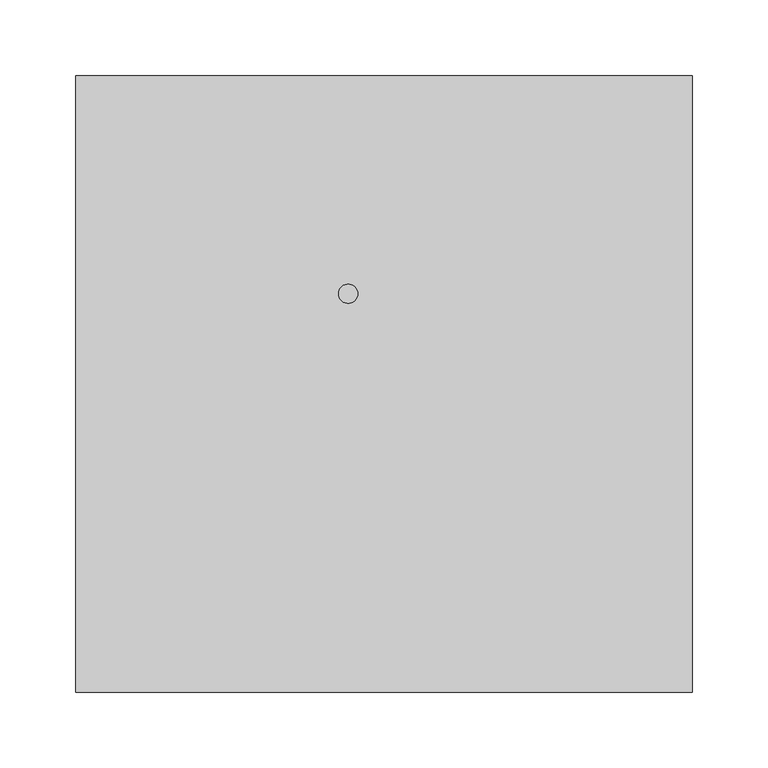
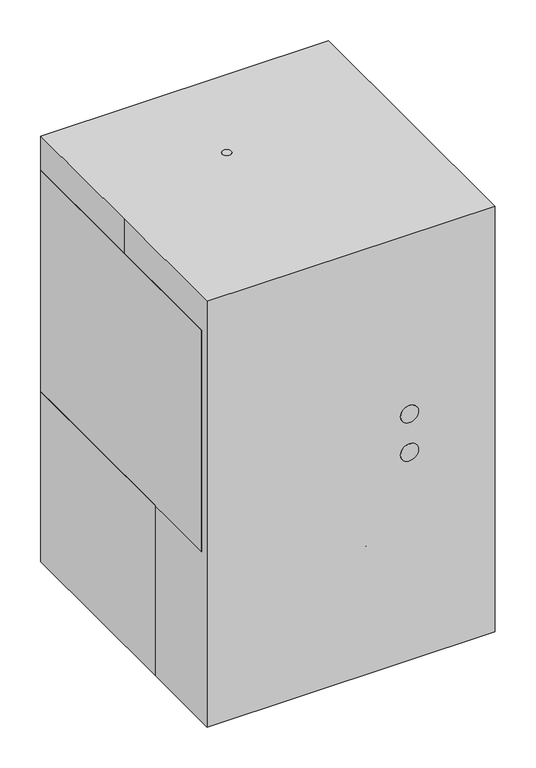
"""IFC4 building model written with IfcOpenShell, lengths in millimetres: proxy geometry."""

from ifc_helpers import new_model, si_unit, point, frame, frame_2d, origin, origin_with_axes, place, context, project, spatial, polyline, circle_curve, ellipse_curve, trimmed, segment, composite_curve, outline, extrude, faceted_brep, source, transform, mapped, element, save
from ifc_brep_helpers import plane_surface, cylinder_surface, revolved_surface, advanced_brep


def specialty_equipment_86da8c64(model_context):
    return source(origin(), model_context, "Body", "SolidModel", [
        extrude(outline(composite_curve([segment(trimmed(circle_curve(frame_2d((0.0, -4.0937193)), 4.0937193), [point((0.0, -8.1874386))], [point((0.0, 0.0))], False, "CARTESIAN"), True, "CONTINUOUS"), segment(trimmed(circle_curve(frame_2d((0.0, -4.0937193)), 4.0937193), [point((0.0, 0.0))], [point((0.0, -8.1874386))], False, "CARTESIAN"), True, "CONTINUOUS")], self_intersect=False)), frame((-117.6763629, -140.0057289, 102.3887784), z_axis=(0.24568362346995662, 0.0, 0.9693500694582285), x_axis=(0.9693500694582285, 0.0, -0.24568362346995662)), (0.0, 0.0, 1.0), 20.0833876),
        extrude(outline(composite_curve([segment(trimmed(circle_curve(frame_2d((0.0, -3.1501878)), 3.1501878), [point((0.0, -6.3003756))], [point((0.0, 0.0))], False, "CARTESIAN"), True, "CONTINUOUS"), segment(trimmed(circle_curve(frame_2d((0.0, -3.1501878)), 3.1501878), [point((0.0, 0.0))], [point((0.0, -6.3003756))], False, "CARTESIAN"), True, "CONTINUOUS")], self_intersect=False)), frame((-171.911736, -140.7121756, 97.9872548), z_axis=(0.8591585636396525, 0.0, 0.5117094512754764), x_axis=(0.5117094512754764, 0.0, -0.8591585636396525)), (0.0, 0.0, 1.0), 6.35),
        extrude(outline(polyline([(0.0, -19.05), (0.0, 0.0), (12.7, 0.0), (12.7, -19.05), (0.0, -19.05)])), frame((-83.2369396, -150.2776431, 73.1964077), z_axis=(-0.5117094512754764, 0.0, 0.8591585636396525), x_axis=(0.0, 1.0, 0.0)), (0.0, 0.0, 1.0), 57.15),
        extrude(outline(polyline([(0.0, -101.5999999), (0.0, 0.0), (12.7, 0.0), (12.7, -101.5999999), (0.0, -101.5999999)])), frame((-161.5820466, -150.2776431, 93.0531245), z_axis=(-0.5117094512754763, 0.0, 0.8591585636396527), x_axis=(0.0, 1.0, 0.0)), (0.0, 0.0, 1.0), 19.05),
        advanced_brep(
        [(-80.5527156, -144.4652979, 74.8954402), (-69.554193, -144.4652979, 81.2454402), (-57.9097189, -144.4652979, 35.6766196), (-47.7471896, -144.4652979, 43.4746025), (-43.8481982, -144.4652979, 21.6150988), (-34.867942, -144.4652979, 30.5953549), (-23.2574298, -144.4652979, 18.9848427), (-28.517942, -144.4652979, 6.2848427), (-6.170274, -144.4652979, 6.2848427), (-7.5050978, -144.4652979, 18.9848427), (26.973746, -144.4652979, 28.1187609), (33.8144084, -144.4652979, 16.9989111), (53.6364482, -144.4652979, 36.8209509), (43.0727306, -144.4652979, 44.2177456), (49.7294224, -144.4652979, 128.1168224), (60.727945, -144.4652979, 134.4668224), (50.7849483, -144.4652979, 151.6885979), (40.6224191, -144.4652979, 143.8906149), (36.3305923, -144.4652979, 166.1429539), (28.1360068, -144.4652979, 156.3770272), (16.1326592, -144.4652979, 254.0), (3.4326592, -144.4652979, 254.0), (3.4326592, -144.4652979, 222.25), (16.1326592, -144.4652979, 222.25), (14.7488288, -144.4652979, 10.7313352), (11.435829, -144.4652979, 23.010861), (60.9302379, -144.4652979, 52.4625335), (48.8560081, -144.4652979, 56.6200242), (66.8940159, -144.4652979, 78.294494), (54.3197437, -144.4652979, 80.2860631), (69.1706357, -144.4652979, 104.3163769), (56.4706357, -144.4652979, 104.8708708), (69.1706357, -144.4652979, 119.8436532), (56.4706357, -144.4652979, 116.4406985), (27.2730478, -144.4652979, 172.4851148), (19.0784623, -144.4652979, 162.7191881), (22.253253, -144.4652979, 177.5049096), (12.0907237, -144.4652979, 169.7069267), (18.7161362, -144.4652979, 183.6313756), (6.809809, -144.4652979, 178.8537393), (16.1326592, -144.4652979, 194.2066873), (3.4326592, -144.4652979, 192.677904), (16.1326592, -144.4652979, 209.6338314), (3.4326592, -144.4652979, 209.6338314)],
        [
            (0, 1, circle_curve(frame((-75.0534543, -144.4652979, 78.0704402), z_axis=(-0.499999999999998, 0.0, 0.8660254037844398), x_axis=(0.8660254037844398, 0.0, 0.499999999999998)), 6.35)),
            (1, 0, circle_curve(frame((-75.0534543, -144.4652979, 78.0704402), z_axis=(-0.499999999999998, 0.0, 0.8660254037844398), x_axis=(0.8660254037844398, 0.0, 0.499999999999998)), 6.35)),
            (0, 2),
            (2, 3, ellipse_curve(frame((-52.8284543, -144.4652979, 39.5756111), z_axis=(-0.6087614290087187, 0.0, 0.7933533402912367), x_axis=(0.793353340291237, 0.0, 0.6087614290087183)), 6.4047939, 6.35)),
            (3, 1),
            (3, 2, ellipse_curve(frame((-52.8284543, -144.4652979, 39.5756111), z_axis=(-0.6087614290087187, 0.0, 0.7933533402912367), x_axis=(0.793353340291237, 0.0, 0.6087614290087183)), 6.4047939, 6.35)),
            (2, 4),
            (4, 5, circle_curve(frame((-39.3580701, -144.4652979, 26.1052269), z_axis=(-0.7071067811865457, 0.0, 0.7071067811865495), x_axis=(0.7071067811865493, 0.0, 0.7071067811865456)), 6.35)),
            (5, 3),
            (5, 4, circle_curve(frame((-39.3580701, -144.4652979, 26.1052269), z_axis=(-0.7071067811865457, 0.0, 0.7071067811865495), x_axis=(0.7071067811865493, 0.0, 0.7071067811865456)), 6.35)),
            (6, 7, ellipse_curve(frame((-25.8876859, -144.4652979, 12.6348427), z_axis=(0.9238795325112856, 0.0, -0.3826834323650925), x_axis=(-0.38268343236509234, 0.0, -0.9238795325112856)), 6.8731905, 6.35)),
            (7, 8),
            (8, 9, ellipse_curve(frame((-6.8376859, -144.4652979, 12.6348427), z_axis=(-0.9945218953682736, 0.0, -0.10452846326765156), x_axis=(-0.1045284632676496, 0.0, 0.9945218953682737)), 6.3849776, 6.35)),
            (9, 6),
            (7, 6, ellipse_curve(frame((-25.8876859, -144.4652979, 12.6348427), z_axis=(0.9238795325112856, 0.0, -0.3826834323650925), x_axis=(-0.38268343236509234, 0.0, -0.9238795325112856)), 6.8731905, 6.35)),
            (9, 8, ellipse_curve(frame((-6.8376859, -144.4652979, 12.6348427), z_axis=(-0.9945218953682736, 0.0, -0.10452846326765156), x_axis=(-0.1045284632676496, 0.0, 0.9945218953682737)), 6.3849776, 6.35)),
            (10, 11, ellipse_curve(frame((30.3940772, -144.4652979, 22.558836), z_axis=(0.8517376950839832, 0.0, 0.5239684139077698), x_axis=(0.523968413907771, 0.0, -0.8517376950839821)), 6.5277431, 6.35)),
            (11, 12),
            (12, 13, ellipse_curve(frame((48.3545894, -144.4652979, 40.5193483), z_axis=(-0.573576436351047, 0.0, -0.819152044288991), x_axis=(-0.8191520442889914, 0.0, 0.5735764363510469)), 6.447959, 6.35)),
            (13, 10),
            (11, 10, ellipse_curve(frame((30.3940772, -144.4652979, 22.558836), z_axis=(0.8517376950839832, 0.0, 0.5239684139077698), x_axis=(0.523968413907771, 0.0, -0.8517376950839821)), 6.5277431, 6.35)),
            (13, 12, ellipse_curve(frame((48.3545894, -144.4652979, 40.5193483), z_axis=(-0.573576436351047, 0.0, -0.819152044288991), x_axis=(-0.8191520442889914, 0.0, 0.5735764363510469)), 6.447959, 6.35)),
            (14, 15, circle_curve(frame((55.2286837, -144.4652979, 131.2918224), z_axis=(-0.49999999999999517, 0.0, 0.8660254037844416), x_axis=(-0.8660254037844416, 0.0, -0.49999999999999517)), 6.35)),
            (15, 16),
            (16, 17, ellipse_curve(frame((45.7036837, -144.4652979, 147.7896064), z_axis=(0.6087614290087175, 0.0, -0.7933533402912375), x_axis=(-0.793353340291237, 0.0, -0.6087614290087182)), 6.4047939, 6.35)),
            (17, 14),
            (15, 14, circle_curve(frame((55.2286837, -144.4652979, 131.2918224), z_axis=(-0.49999999999999517, 0.0, 0.8660254037844416), x_axis=(-0.8660254037844416, 0.0, -0.49999999999999517)), 6.35)),
            (17, 16, ellipse_curve(frame((45.7036837, -144.4652979, 147.7896064), z_axis=(0.6087614290087175, 0.0, -0.7933533402912375), x_axis=(-0.793353340291237, 0.0, -0.6087614290087182)), 6.4047939, 6.35)),
            (16, 18),
            (18, 19, ellipse_curve(frame((32.2332995, -144.4652979, 161.2599905), z_axis=(0.7660444431189765, 0.0, -0.642787609686541), x_axis=(-0.6427876096865405, 0.0, -0.766044443118977)), 6.374256, 6.35)),
            (19, 17),
            (19, 18, ellipse_curve(frame((32.2332995, -144.4652979, 161.2599905), z_axis=(0.7660444431189765, 0.0, -0.642787609686541), x_axis=(-0.6427876096865405, 0.0, -0.766044443118977)), 6.374256, 6.35)),
            (20, 21, circle_curve(frame((9.7826592, -144.4652979, 254.0), z_axis=(0.0, 0.0, 1.0), x_axis=(-1.0, 0.0, 0.0)), 6.35)),
            (21, 20, circle_curve(frame((9.7826592, -144.4652979, 254.0), z_axis=(0.0, 0.0, 1.0), x_axis=(-1.0, 0.0, 0.0)), 6.35)),
            (22, 23, circle_curve(frame((9.7826592, -144.4652979, 222.25), z_axis=(0.0, 0.0, 1.0), x_axis=(-1.0, 0.0, 0.0)), 6.35)),
            (23, 20),
            (21, 22),
            (23, 22, circle_curve(frame((9.7826592, -144.4652979, 222.25), z_axis=(0.0, 0.0, 1.0), x_axis=(-1.0, 0.0, 0.0)), 6.35)),
            (4, 7),
            (6, 5),
            (8, 24),
            (24, 25, ellipse_curve(frame((13.0923289, -144.4652979, 16.8710981), z_axis=(-0.9654779806676533, 0.0, -0.26048468063575386), x_axis=(-0.2604846806357488, 0.0, 0.9654779806676546)), 6.3592987, 6.35)),
            (25, 9),
            (25, 24, ellipse_curve(frame((13.0923289, -144.4652979, 16.8710981), z_axis=(-0.9654779806676533, 0.0, -0.26048468063575386), x_axis=(-0.2604846806357488, 0.0, 0.9654779806676546)), 6.3592987, 6.35)),
            (24, 11),
            (10, 25),
            (12, 26),
            (26, 27, ellipse_curve(frame((54.893123, -144.4652979, 54.5412789), z_axis=(-0.3255681544571579, 0.0, -0.9455185755993165), x_axis=(-0.9455185755993156, 0.0, 0.3255681544571604)), 6.3849776, 6.35)),
            (27, 13),
            (27, 26, ellipse_curve(frame((54.893123, -144.4652979, 54.5412789), z_axis=(-0.3255681544571579, 0.0, -0.9455185755993165), x_axis=(-0.9455185755993156, 0.0, 0.3255681544571604)), 6.3849776, 6.35)),
            (26, 28),
            (28, 29, ellipse_curve(frame((60.6068798, -144.4652979, 79.2902785), z_axis=(-0.15643446504023226, 0.0, -0.9876883405951374), x_axis=(-0.987688340595138, 0.0, 0.15643446504023006)), 6.3655061, 6.35)),
            (29, 27),
            (29, 28, ellipse_curve(frame((60.6068798, -144.4652979, 79.2902785), z_axis=(-0.15643446504023226, 0.0, -0.9876883405951374), x_axis=(-0.987688340595138, 0.0, 0.15643446504023006)), 6.3655061, 6.35)),
            (28, 30),
            (30, 31, ellipse_curve(frame((62.8206357, -144.4652979, 104.5936238), z_axis=(-0.04361938736533767, 0.0, -0.9990482215818578), x_axis=(-0.9990482215818574, 0.0, 0.043619387365343695)), 6.3560496, 6.35)),
            (31, 29),
            (31, 30, ellipse_curve(frame((62.8206357, -144.4652979, 104.5936238), z_axis=(-0.04361938736533767, 0.0, -0.9990482215818578), x_axis=(-0.9990482215818574, 0.0, 0.043619387365343695)), 6.3560496, 6.35)),
            (30, 32),
            (32, 33, ellipse_curve(frame((62.8206357, -144.4652979, 118.1421759), z_axis=(0.25881904510251724, 0.0, -0.9659258262890692), x_axis=(-0.9659258262890693, 0.0, -0.2588190451025174)), 6.5740037, 6.35)),
            (33, 31),
            (33, 32, ellipse_curve(frame((62.8206357, -144.4652979, 118.1421759), z_axis=(0.25881904510251724, 0.0, -0.9659258262890692), x_axis=(-0.9659258262890693, 0.0, -0.2588190451025174)), 6.5740037, 6.35)),
            (32, 15),
            (14, 33),
            (18, 34),
            (34, 35, ellipse_curve(frame((23.175755, -144.4652979, 167.6021515), z_axis=(0.7660444431189767, 0.0, -0.6427876096865409), x_axis=(0.642787609686541, 0.0, 0.7660444431189767)), 6.374256, 6.35)),
            (35, 19),
            (35, 34, ellipse_curve(frame((23.175755, -144.4652979, 167.6021515), z_axis=(0.7660444431189767, 0.0, -0.6427876096865409), x_axis=(0.642787609686541, 0.0, 0.7660444431189767)), 6.374256, 6.35)),
            (34, 36),
            (36, 37, ellipse_curve(frame((17.1719883, -144.4652979, 173.6059182), z_axis=(0.6087614290087173, 0.0, -0.7933533402912377), x_axis=(0.7933533402912378, 0.0, 0.6087614290087171)), 6.4047939, 6.35)),
            (37, 35),
            (37, 36, ellipse_curve(frame((17.1719883, -144.4652979, 173.6059182), z_axis=(0.6087614290087173, 0.0, -0.7933533402912377), x_axis=(0.7933533402912378, 0.0, 0.6087614290087171)), 6.4047939, 6.35)),
            (36, 38),
            (38, 39, ellipse_curve(frame((12.7629726, -144.4652979, 181.2425575), z_axis=(0.3724054793402888, 0.0, -0.9280701260989547), x_axis=(0.928070126098955, 0.0, 0.37240547934028795)), 6.4145623, 6.35)),
            (39, 37),
            (39, 38, ellipse_curve(frame((12.7629726, -144.4652979, 181.2425575), z_axis=(0.3724054793402888, 0.0, -0.9280701260989547), x_axis=(0.928070126098955, 0.0, 0.37240547934028795)), 6.4145623, 6.35)),
            (38, 40),
            (40, 41, ellipse_curve(frame((9.7826592, -144.4652979, 193.4422956), z_axis=(0.11951384652124017, 0.0, -0.9928325339601324), x_axis=(0.9928325339601324, 0.0, 0.11951384652123981)), 6.395842, 6.35)),
            (41, 39),
            (41, 40, ellipse_curve(frame((9.7826592, -144.4652979, 193.4422956), z_axis=(0.11951384652124017, 0.0, -0.9928325339601324), x_axis=(0.9928325339601324, 0.0, 0.11951384652123981)), 6.395842, 6.35)),
            (40, 42),
            (42, 43, circle_curve(frame((9.7826592, -144.4652979, 209.6338314), z_axis=(0.0, 0.0, -1.0), x_axis=(-1.0, 0.0, 0.0)), 6.35)),
            (43, 41),
            (43, 42, circle_curve(frame((9.7826592, -144.4652979, 209.6338314), z_axis=(0.0, 0.0, -1.0), x_axis=(-1.0, 0.0, 0.0)), 6.35)),
            (42, 23),
            (22, 43),
        ],
        [
            plane_surface(frame((-75.0534543, -144.4652979, 78.0704402), z_axis=(-0.49999999999999806, 0.0, 0.8660254037844398), x_axis=(0.0, -1.0, 0.0))),
            cylinder_surface(frame((-75.0534543, -144.4652979, 78.0704402), z_axis=(-0.499999999999998, 0.0, 0.8660254037844398), x_axis=(0.8660254037844398, 0.0, 0.499999999999998)), 6.35),
            cylinder_surface(frame((-52.8284543, -144.4652979, 39.5756111), z_axis=(-0.7071067811865456, 0.0, 0.7071067811865493), x_axis=(0.7071067811865493, 0.0, 0.7071067811865456)), 6.35),
            cylinder_surface(frame((-25.8876859, -144.4652979, 12.6348427), z_axis=(-1.0, 0.0, 0.0), x_axis=(0.0, 0.0, 1.0)), 6.35),
            cylinder_surface(frame((30.3940772, -144.4652979, 22.558836), z_axis=(-0.7071067811865483, 0.0, -0.7071067811865468), x_axis=(-0.7071067811865468, 0.0, 0.7071067811865483)), 6.35),
            cylinder_surface(frame((55.2286837, -144.4652979, 131.2918224), z_axis=(0.49999999999999517, 0.0, -0.8660254037844416), x_axis=(-0.8660254037844416, 0.0, -0.49999999999999517)), 6.35),
            cylinder_surface(frame((45.7036837, -144.4652979, 147.7896064), z_axis=(0.707106781186546, 0.0, -0.707106781186549), x_axis=(-0.707106781186549, 0.0, -0.707106781186546)), 6.35),
            plane_surface(frame((9.7826592, -144.4652979, 254.0), z_axis=(0.0, 0.0, 1.0), x_axis=(0.0, -1.0, 0.0))),
            cylinder_surface(frame((9.7826592, -144.4652979, 222.25), z_axis=(0.0, 0.0, -1.0), x_axis=(-1.0, 0.0, 0.0)), 6.35),
            cylinder_surface(frame((-39.3580701, -144.4652979, 26.1052269), z_axis=(-0.7071067811865458, 0.0, 0.7071067811865492), x_axis=(0.7071067811865492, 0.0, 0.7071067811865458)), 6.35),
            cylinder_surface(frame((-6.8376859, -144.4652979, 12.6348427), z_axis=(-0.9781476007338057, 0.0, -0.20791169081775893), x_axis=(-0.20791169081775893, 0.0, 0.9781476007338057)), 6.35),
            cylinder_surface(frame((13.0923289, -144.4652979, 16.8710981), z_axis=(-0.9499848795939814, 0.0, -0.3122958990169561), x_axis=(-0.3122958990169561, 0.0, 0.9499848795939814)), 6.35),
            cylinder_surface(frame((48.3545894, -144.4652979, 40.5193483), z_axis=(-0.4226182617407005, 0.0, -0.9063077870366495), x_axis=(-0.9063077870366495, 0.0, 0.4226182617407005)), 6.35),
            cylinder_surface(frame((54.893123, -144.4652979, 54.5412789), z_axis=(-0.2249510543438664, 0.0, -0.974370064785235), x_axis=(-0.974370064785235, 0.0, 0.2249510543438664)), 6.35),
            cylinder_surface(frame((60.6068798, -144.4652979, 79.2902785), z_axis=(-0.08715574274765962, 0.0, -0.9961946980917454), x_axis=(-0.9961946980917454, 0.0, 0.08715574274765962)), 6.35),
            cylinder_surface(frame((62.8206357, -144.4652979, 104.5936238), z_axis=(0.0, 0.0, -1.0), x_axis=(-1.0, 0.0, 0.0)), 6.35),
            cylinder_surface(frame((62.8206357, -144.4652979, 118.1421759), z_axis=(0.4999999999999954, 0.0, -0.8660254037844414), x_axis=(-0.8660254037844414, 0.0, -0.4999999999999954)), 6.35),
            cylinder_surface(frame((32.2332995, -144.4652979, 161.2599905), z_axis=(0.8191520442889904, 0.0, -0.5735764363510482), x_axis=(-0.5735764363510482, 0.0, -0.8191520442889904)), 6.35),
            cylinder_surface(frame((23.175755, -144.4652979, 167.6021515), z_axis=(0.7071067811865465, 0.0, -0.7071067811865487), x_axis=(-0.7071067811865487, 0.0, -0.7071067811865465)), 6.35),
            cylinder_surface(frame((17.1719883, -144.4652979, 173.6059182), z_axis=(0.4999999999999941, 0.0, -0.8660254037844421), x_axis=(-0.8660254037844421, 0.0, -0.4999999999999941)), 6.35),
            cylinder_surface(frame((12.7629726, -144.4652979, 181.2425575), z_axis=(0.23731447017001195, 0.0, -0.9714328809793945), x_axis=(-0.9714328809793945, 0.0, -0.23731447017001195)), 6.35),
            cylinder_surface(frame((9.7826592, -144.4652979, 193.4422956), z_axis=(0.0, 0.0, -1.0), x_axis=(-1.0, 0.0, 0.0)), 6.35),
            cylinder_surface(frame((9.7826592, -144.4652979, 209.6338314), z_axis=(0.0, 0.0, -1.0), x_axis=(-1.0, 0.0, 0.0)), 6.35),
        ],
        [
            (0, [[1, 2]]),
            (1, [[-1, 3, 4, 5]]),
            (1, [[-2, -5, 6, -3]]),
            (2, [[-4, 7, 8, 9]]),
            (2, [[-6, -9, 10, -7]]),
            (3, [[11, 12, 13, 14]]),
            (3, [[15, -14, 16, -12]]),
            (4, [[17, 18, 19, 20]]),
            (4, [[21, -20, 22, -18]]),
            (5, [[23, 24, 25, 26]]),
            (5, [[27, -26, 28, -24]]),
            (6, [[-25, 29, 30, 31]]),
            (6, [[-28, -31, 32, -29]]),
            (7, [[33, 34]]),
            (8, [[35, 36, -34, 37]]),
            (8, [[38, -37, -33, -36]]),
            (9, [[-8, 39, -11, 40]]),
            (9, [[-10, -40, -15, -39]]),
            (10, [[-13, 41, 42, 43]]),
            (10, [[-16, -43, 44, -41]]),
            (11, [[-42, 45, -17, 46]]),
            (11, [[-44, -46, -21, -45]]),
            (12, [[-19, 47, 48, 49]]),
            (12, [[-22, -49, 50, -47]]),
            (13, [[-48, 51, 52, 53]]),
            (13, [[-50, -53, 54, -51]]),
            (14, [[-52, 55, 56, 57]]),
            (14, [[-54, -57, 58, -55]]),
            (15, [[-56, 59, 60, 61]]),
            (15, [[-58, -61, 62, -59]]),
            (16, [[-60, 63, -23, 64]]),
            (16, [[-62, -64, -27, -63]]),
            (17, [[-30, 65, 66, 67]]),
            (17, [[-32, -67, 68, -65]]),
            (18, [[-66, 69, 70, 71]]),
            (18, [[-68, -71, 72, -69]]),
            (19, [[-70, 73, 74, 75]]),
            (19, [[-72, -75, 76, -73]]),
            (20, [[-74, 77, 78, 79]]),
            (20, [[-76, -79, 80, -77]]),
            (21, [[-78, 81, 82, 83]]),
            (21, [[-80, -83, 84, -81]]),
            (22, [[-82, 85, -35, 86]]),
            (22, [[-84, -86, -38, -85]]),
        ],
    ),
        extrude(outline(composite_curve([segment(trimmed(circle_curve(frame_2d((309.7830622, 82.8658336)), 12.7), [point((309.7830622, 70.1658336))], [point((309.7830622, 95.5658336))], False, "CARTESIAN"), True, "CONTINUOUS"), segment(trimmed(circle_curve(frame_2d((309.7830622, 82.8658336)), 12.7), [point((309.7830622, 95.5658336))], [point((309.7830622, 70.1658336))], False, "CARTESIAN"), True, "CONTINUOUS")], self_intersect=False)), frame((0.0, -203.2, 0.0), z_axis=(0.0, 1.0, 0.0), x_axis=(0.0, 0.0, 1.0)), (0.0, 0.0, 1.0), 19.05),
        extrude(outline(composite_curve([segment(trimmed(circle_curve(frame_2d((366.9330622, 82.8658336)), 12.7), [point((366.9330622, 70.1658336))], [point((366.9330622, 95.5658336))], False, "CARTESIAN"), True, "CONTINUOUS"), segment(trimmed(circle_curve(frame_2d((366.9330622, 82.8658336)), 12.7), [point((366.9330622, 95.5658336))], [point((366.9330622, 70.1658336))], False, "CARTESIAN"), True, "CONTINUOUS")], self_intersect=False)), frame((0.0, -203.2, 0.0), z_axis=(0.0, 1.0, 0.0), x_axis=(0.0, 0.0, 1.0)), (0.0, 0.0, 1.0), 19.05),
        extrude(outline(composite_curve([segment(trimmed(circle_curve(frame_2d((-23.5780255, 59.5031779)), 6.35), [point((-29.9280255, 59.5031779))], [point((-17.2280255, 59.5031779))], False, "CARTESIAN"), True, "CONTINUOUS"), segment(trimmed(circle_curve(frame_2d((-23.5780255, 59.5031779)), 6.35), [point((-17.2280255, 59.5031779))], [point((-29.9280255, 59.5031779))], False, "CARTESIAN"), True, "CONTINUOUS")], self_intersect=False)), frame((0.0, 0.0, 622.3), z_axis=(0.0, 0.0, 1.0), x_axis=(1.0, 0.0, 0.0)), (0.0, 0.0, 1.0), 12.7),
        extrude(outline(composite_curve([segment(trimmed(circle_curve(frame_2d((-23.5780255, 59.5031779)), 38.1), [point((-61.6780255, 59.5031779))], [point((14.5219745, 59.5031779))], False, "CARTESIAN"), True, "CONTINUOUS"), segment(trimmed(circle_curve(frame_2d((-23.5780255, 59.5031779)), 38.1), [point((14.5219745, 59.5031779))], [point((-61.6780255, 59.5031779))], False, "CARTESIAN"), True, "CONTINUOUS")], self_intersect=False)), frame((0.0, 0.0, 584.2), z_axis=(0.0, 0.0, 1.0), x_axis=(1.0, 0.0, 0.0)), (0.0, 0.0, 1.0), 38.1),
        extrude(outline(polyline([(0.0, -38.1), (0.0, 0.0), (12.7, 0.0), (12.7, -38.1), (0.0, -38.1)])), frame((190.5, 79.4946346, 436.6787319), z_axis=(0.0, 0.25881904510252524, 0.9659258262890671), x_axis=(0.0, -0.9659258262890671, 0.25881904510252524)), (0.0, 0.0, 1.0), 12.7),
        extrude(outline(polyline([(0.0, -38.1), (0.0, 0.0), (12.7, 0.0), (12.7, -38.1), (0.0, -38.1)])), frame((190.5, 56.4856215, 350.807926), z_axis=(0.0, 0.2588190451025251, 0.9659258262890672), x_axis=(0.0, -0.9659258262890672, 0.2588190451025251)), (0.0, 0.0, 1.0), 12.7),
        extrude(outline(polyline([(0.0, -12.7), (0.0, 0.0), (12.7, 0.0), (12.7, -12.7), (0.0, -12.7)])), frame((203.2, 56.4856215, 350.807926), z_axis=(0.0, 0.2588190451025251, 0.9659258262890672), x_axis=(0.0, -0.9659258262890672, 0.2588190451025251)), (0.0, 0.0, 1.0), 101.6),
        faceted_brep([(139.7, 38.3077485, 225.5799567), (139.7, -44.2422515, 225.5799567), (139.7, -44.2422515, 212.8799567), (139.7, 38.3077485, 212.8799567), (152.4, 38.3077485, 225.5799567), (152.4, -44.2422515, 225.5799567), (152.4, -44.2422515, 212.8799567), (152.4, 38.3077485, 212.8799567), (139.7, 88.6922515, 225.5799567), (139.7, 88.6922515, 212.8799567), (139.7, 171.2422515, 212.8799567), (139.7, 171.2422515, 225.5799567), (152.4, 171.2422515, 225.5799567), (152.4, 88.6922515, 225.5799567), (152.4, 171.2422515, 212.8799567), (152.4, 88.6922515, 212.8799567), (152.4, 203.2, 254.0), (-203.2, 203.2, 254.0), (-203.2, -76.2, 254.0), (152.4, -76.2, 254.0), (152.4, 203.2, 0.0), (152.4, -76.2, 0.0), (-203.2, -76.2, 0.0), (-203.2, 203.2, 0.0)], [[[0, 1, 2, 3]], [[1, 0, 4, 5]], [[2, 1, 5, 6]], [[3, 2, 6, 7]], [[0, 3, 7, 4]], [[8, 9, 10, 11]], [[8, 11, 12, 13]], [[11, 10, 14, 12]], [[10, 9, 15, 14]], [[9, 8, 13, 15]], [[16, 17, 18, 19]], [[20, 21, 22, 23]], [[17, 16, 20, 23]], [[18, 17, 23, 22]], [[19, 18, 22, 21]], [[16, 19, 21, 20], [13, 12, 14, 15], [5, 4, 7, 6]]]),
        advanced_brep(
        [(139.7, 38.3077485, 530.3799567), (139.7, -44.2422515, 530.3799567), (139.7, -44.2422515, 517.6799567), (139.7, 38.3077485, 517.6799567), (152.4, 38.3077485, 530.3799567), (152.4, -44.2422515, 530.3799567), (152.4, -44.2422515, 517.6799567), (152.4, 38.3077485, 517.6799567), (139.7, 38.3077485, 479.5799567), (139.7, -44.2422515, 479.5799567), (139.7, -44.2422515, 466.8799567), (139.7, 38.3077485, 466.8799567), (152.4, 38.3077485, 479.5799567), (152.4, -44.2422515, 479.5799567), (152.4, -44.2422515, 466.8799567), (152.4, 38.3077485, 466.8799567), (139.7, 38.3077485, 428.7799567), (139.7, -44.2422515, 428.7799567), (139.7, -44.2422515, 416.0799567), (139.7, 38.3077485, 416.0799567), (152.4, 38.3077485, 428.7799567), (152.4, -44.2422515, 428.7799567), (152.4, -44.2422515, 416.0799567), (152.4, 38.3077485, 416.0799567), (139.7, 38.3077485, 377.9799567), (139.7, -44.2422515, 377.9799567), (139.7, -44.2422515, 365.2799567), (139.7, 38.3077485, 365.2799567), (152.4, 38.3077485, 377.9799567), (152.4, -44.2422515, 377.9799567), (152.4, -44.2422515, 365.2799567), (152.4, 38.3077485, 365.2799567), (139.7, 38.3077485, 327.1799567), (139.7, -44.2422515, 327.1799567), (139.7, -44.2422515, 314.4799567), (139.7, 38.3077485, 314.4799567), (152.4, 38.3077485, 327.1799567), (152.4, -44.2422515, 327.1799567), (152.4, -44.2422515, 314.4799567), (152.4, 38.3077485, 314.4799567), (139.7, 38.3077485, 276.3799567), (139.7, -44.2422515, 276.3799567), (139.7, -44.2422515, 263.6799567), (139.7, 38.3077485, 263.6799567), (152.4, 38.3077485, 276.3799567), (152.4, -44.2422515, 276.3799567), (152.4, -44.2422515, 263.6799567), (152.4, 38.3077485, 263.6799567), (139.7, 88.6922515, 530.3799567), (139.7, 88.6922515, 517.6799567), (139.7, 171.2422515, 517.6799567), (139.7, 171.2422515, 530.3799567), (152.4, 171.2422515, 530.3799567), (152.4, 88.6922515, 530.3799567), (152.4, 171.2422515, 517.6799567), (152.4, 88.6922515, 517.6799567), (139.7, 88.6922515, 479.5799567), (139.7, 88.6922515, 466.8799567), (139.7, 171.2422515, 466.8799567), (139.7, 171.2422515, 479.5799567), (152.4, 171.2422515, 479.5799567), (152.4, 88.6922515, 479.5799567), (152.4, 171.2422515, 466.8799567), (152.4, 88.6922515, 466.8799567), (139.7, 88.6922515, 428.7799567), (139.7, 88.6922515, 416.0799567), (139.7, 171.2422515, 416.0799567), (139.7, 171.2422515, 428.7799567), (152.4, 171.2422515, 428.7799567), (152.4, 88.6922515, 428.7799567), (152.4, 171.2422515, 416.0799567), (152.4, 88.6922515, 416.0799567), (139.7, 88.6922515, 377.9799567), (139.7, 88.6922515, 365.2799567), (139.7, 171.2422515, 365.2799567), (139.7, 171.2422515, 377.9799567), (152.4, 171.2422515, 377.9799567), (152.4, 88.6922515, 377.9799567), (152.4, 171.2422515, 365.2799567), (152.4, 88.6922515, 365.2799567), (139.7, 88.6922515, 327.1799567), (139.7, 88.6922515, 314.4799567), (139.7, 171.2422515, 314.4799567), (139.7, 171.2422515, 327.1799567), (152.4, 171.2422515, 327.1799567), (152.4, 88.6922515, 327.1799567), (152.4, 171.2422515, 314.4799567), (152.4, 88.6922515, 314.4799567), (139.7, 88.6922515, 276.3799567), (139.7, 88.6922515, 263.6799567), (139.7, 171.2422515, 263.6799567), (139.7, 171.2422515, 276.3799567), (152.4, 171.2422515, 276.3799567), (152.4, 88.6922515, 276.3799567), (152.4, 171.2422515, 263.6799567), (152.4, 88.6922515, 263.6799567), (6.1623852, -177.8, 451.8873151), (82.3623852, -177.8, 451.8873151), (6.1623852, -184.15, 451.8873151), (82.3623852, -184.15, 451.8873151), (-6.35, -177.8, 386.1392192), (6.35, -177.8, 386.1392192), (-6.35, -184.15, 386.1392192), (6.35, -184.15, 386.1392192), (-6.35, -177.8, 348.0392192), (6.35, -177.8, 348.0392192), (-6.35, -184.15, 348.0392192), (6.35, -184.15, 348.0392192), (-6.35, -177.8, 309.9392192), (6.35, -177.8, 309.9392192), (-6.35, -184.15, 309.9392192), (6.35, -184.15, 309.9392192), (114.0510467, -184.15, 525.8640111), (-25.6489533, -184.15, 525.8640111), (-25.6489533, -184.15, 271.8640111), (114.0510467, -184.15, 271.8640111), (114.0510467, -190.5, 525.8640111), (-25.6489533, -190.5, 525.8640111), (-25.6489533, -190.5, 271.8640111), (114.0510467, -190.5, 271.8640111), (152.4, 203.2, 584.2), (-203.2, 203.2, 584.2), (-203.2, -190.5, 584.2), (152.4, -190.5, 584.2), (152.4, 203.2, 254.0), (152.4, -190.5, 254.0), (-203.2, -190.5, 254.0), (-203.2, 203.2, 254.0)],
        [
            (0, 1),
            (1, 2),
            (2, 3),
            (3, 0),
            (0, 4),
            (4, 5),
            (5, 1),
            (5, 6),
            (6, 2),
            (6, 7),
            (7, 3),
            (7, 4),
            (8, 9),
            (9, 10),
            (10, 11),
            (11, 8),
            (8, 12),
            (12, 13),
            (13, 9),
            (13, 14),
            (14, 10),
            (14, 15),
            (15, 11),
            (15, 12),
            (16, 17),
            (17, 18),
            (18, 19),
            (19, 16),
            (16, 20),
            (20, 21),
            (21, 17),
            (21, 22),
            (22, 18),
            (22, 23),
            (23, 19),
            (23, 20),
            (24, 25),
            (25, 26),
            (26, 27),
            (27, 24),
            (24, 28),
            (28, 29),
            (29, 25),
            (29, 30),
            (30, 26),
            (30, 31),
            (31, 27),
            (31, 28),
            (32, 33),
            (33, 34),
            (34, 35),
            (35, 32),
            (32, 36),
            (36, 37),
            (37, 33),
            (37, 38),
            (38, 34),
            (38, 39),
            (39, 35),
            (39, 36),
            (40, 41),
            (41, 42),
            (42, 43),
            (43, 40),
            (40, 44),
            (44, 45),
            (45, 41),
            (45, 46),
            (46, 42),
            (46, 47),
            (47, 43),
            (47, 44),
            (48, 49),
            (49, 50),
            (50, 51),
            (51, 48),
            (51, 52),
            (52, 53),
            (53, 48),
            (50, 54),
            (54, 52),
            (49, 55),
            (55, 54),
            (53, 55),
            (56, 57),
            (57, 58),
            (58, 59),
            (59, 56),
            (59, 60),
            (60, 61),
            (61, 56),
            (58, 62),
            (62, 60),
            (57, 63),
            (63, 62),
            (61, 63),
            (64, 65),
            (65, 66),
            (66, 67),
            (67, 64),
            (67, 68),
            (68, 69),
            (69, 64),
            (66, 70),
            (70, 68),
            (65, 71),
            (71, 70),
            (69, 71),
            (72, 73),
            (73, 74),
            (74, 75),
            (75, 72),
            (75, 76),
            (76, 77),
            (77, 72),
            (74, 78),
            (78, 76),
            (73, 79),
            (79, 78),
            (77, 79),
            (80, 81),
            (81, 82),
            (82, 83),
            (83, 80),
            (83, 84),
            (84, 85),
            (85, 80),
            (82, 86),
            (86, 84),
            (81, 87),
            (87, 86),
            (85, 87),
            (88, 89),
            (89, 90),
            (90, 91),
            (91, 88),
            (91, 92),
            (92, 93),
            (93, 88),
            (90, 94),
            (94, 92),
            (89, 95),
            (95, 94),
            (93, 95),
            (96, 97, circle_curve(frame((44.2623852, -177.8, 451.8873151), z_axis=(0.0, -1.0, 0.0), x_axis=(1.0, 0.0, 0.0)), 38.1)),
            (97, 96, circle_curve(frame((44.2623852, -177.8, 451.8873151), z_axis=(0.0, -1.0, 0.0), x_axis=(1.0, 0.0, 0.0)), 38.1)),
            (96, 98),
            (98, 99, circle_curve(frame((44.2623852, -184.15, 451.8873151), z_axis=(0.0, -1.0, 0.0), x_axis=(1.0, 0.0, 0.0)), 38.1)),
            (99, 97),
            (99, 98, circle_curve(frame((44.2623852, -184.15, 451.8873151), z_axis=(0.0, -1.0, 0.0), x_axis=(1.0, 0.0, 0.0)), 38.1)),
            (100, 101, circle_curve(frame((0.0, -177.8, 386.1392192), z_axis=(0.0, -1.0, 0.0), x_axis=(1.0, 0.0, 0.0)), 6.35)),
            (101, 100, circle_curve(frame((0.0, -177.8, 386.1392192), z_axis=(0.0, -1.0, 0.0), x_axis=(1.0, 0.0, 0.0)), 6.35)),
            (100, 102),
            (102, 103, circle_curve(frame((0.0, -184.15, 386.1392192), z_axis=(0.0, -1.0, 0.0), x_axis=(1.0, 0.0, 0.0)), 6.35)),
            (103, 101),
            (103, 102, circle_curve(frame((0.0, -184.15, 386.1392192), z_axis=(0.0, -1.0, 0.0), x_axis=(1.0, 0.0, 0.0)), 6.35)),
            (104, 105, circle_curve(frame((0.0, -177.8, 348.0392192), z_axis=(0.0, -1.0, 0.0), x_axis=(1.0, 0.0, 0.0)), 6.35)),
            (105, 104, circle_curve(frame((0.0, -177.8, 348.0392192), z_axis=(0.0, -1.0, 0.0), x_axis=(1.0, 0.0, 0.0)), 6.35)),
            (104, 106),
            (106, 107, circle_curve(frame((0.0, -184.15, 348.0392192), z_axis=(0.0, -1.0, 0.0), x_axis=(1.0, 0.0, 0.0)), 6.35)),
            (107, 105),
            (107, 106, circle_curve(frame((0.0, -184.15, 348.0392192), z_axis=(0.0, -1.0, 0.0), x_axis=(1.0, 0.0, 0.0)), 6.35)),
            (108, 109, circle_curve(frame((0.0, -177.8, 309.9392192), z_axis=(0.0, -1.0, 0.0), x_axis=(1.0, 0.0, 0.0)), 6.35)),
            (109, 108, circle_curve(frame((0.0, -177.8, 309.9392192), z_axis=(0.0, -1.0, 0.0), x_axis=(1.0, 0.0, 0.0)), 6.35)),
            (108, 110),
            (110, 111, circle_curve(frame((0.0, -184.15, 309.9392192), z_axis=(0.0, -1.0, 0.0), x_axis=(1.0, 0.0, 0.0)), 6.35)),
            (111, 109),
            (111, 110, circle_curve(frame((0.0, -184.15, 309.9392192), z_axis=(0.0, -1.0, 0.0), x_axis=(1.0, 0.0, 0.0)), 6.35)),
            (112, 113),
            (113, 114),
            (114, 115),
            (115, 112),
            (112, 116),
            (116, 117),
            (117, 113),
            (117, 118),
            (118, 114),
            (118, 119),
            (119, 115),
            (119, 116),
            (120, 121),
            (121, 122),
            (122, 123),
            (123, 120),
            (124, 125),
            (125, 126),
            (126, 127),
            (127, 124),
            (120, 124),
            (127, 121),
            (126, 122),
            (125, 123),
        ],
        [
            plane_surface(frame((139.7, -44.2422515, 530.3799567), z_axis=(1.0, 0.0, 0.0), x_axis=(0.0, 1.0, 0.0))),
            plane_surface(frame((152.4, 38.3077485, 530.3799567), z_axis=(0.0, 0.0, -1.0), x_axis=(-1.0, 0.0, 0.0))),
            plane_surface(frame((152.4, -44.2422515, 530.3799567), z_axis=(0.0, 1.0, 0.0), x_axis=(-1.0, 0.0, 0.0))),
            plane_surface(frame((152.4, -44.2422515, 517.6799567), z_axis=(0.0, 0.0, 1.0), x_axis=(-1.0, 0.0, 0.0))),
            plane_surface(frame((152.4, 38.3077485, 517.6799567), z_axis=(0.0, -1.0, 0.0), x_axis=(-1.0, 0.0, 0.0))),
            plane_surface(frame((139.7, -44.2422515, 479.5799567), z_axis=(1.0, 0.0, 0.0), x_axis=(0.0, 1.0, 0.0))),
            plane_surface(frame((152.4, 38.3077485, 479.5799567), z_axis=(0.0, 0.0, -1.0), x_axis=(-1.0, 0.0, 0.0))),
            plane_surface(frame((152.4, -44.2422515, 479.5799567), z_axis=(0.0, 1.0, 0.0), x_axis=(-1.0, 0.0, 0.0))),
            plane_surface(frame((152.4, -44.2422515, 466.8799567), z_axis=(0.0, 0.0, 1.0), x_axis=(-1.0, 0.0, 0.0))),
            plane_surface(frame((152.4, 38.3077485, 466.8799567), z_axis=(0.0, -1.0, 0.0), x_axis=(-1.0, 0.0, 0.0))),
            plane_surface(frame((139.7, -44.2422515, 428.7799567), z_axis=(1.0, 0.0, 0.0), x_axis=(0.0, 1.0, 0.0))),
            plane_surface(frame((152.4, 38.3077485, 428.7799567), z_axis=(0.0, 0.0, -1.0), x_axis=(-1.0, 0.0, 0.0))),
            plane_surface(frame((152.4, -44.2422515, 428.7799567), z_axis=(0.0, 1.0, 0.0), x_axis=(-1.0, 0.0, 0.0))),
            plane_surface(frame((152.4, -44.2422515, 416.0799567), z_axis=(0.0, 0.0, 1.0), x_axis=(-1.0, 0.0, 0.0))),
            plane_surface(frame((152.4, 38.3077485, 416.0799567), z_axis=(0.0, -1.0, 0.0), x_axis=(-1.0, 0.0, 0.0))),
            plane_surface(frame((139.7, -44.2422515, 377.9799567), z_axis=(1.0, 0.0, 0.0), x_axis=(0.0, 1.0, 0.0))),
            plane_surface(frame((152.4, 38.3077485, 377.9799567), z_axis=(0.0, 0.0, -1.0), x_axis=(-1.0, 0.0, 0.0))),
            plane_surface(frame((152.4, -44.2422515, 377.9799567), z_axis=(0.0, 1.0, 0.0), x_axis=(-1.0, 0.0, 0.0))),
            plane_surface(frame((152.4, -44.2422515, 365.2799567), z_axis=(0.0, 0.0, 1.0), x_axis=(-1.0, 0.0, 0.0))),
            plane_surface(frame((152.4, 38.3077485, 365.2799567), z_axis=(0.0, -1.0, 0.0), x_axis=(-1.0, 0.0, 0.0))),
            plane_surface(frame((139.7, -44.2422515, 327.1799567), z_axis=(1.0, 0.0, 0.0), x_axis=(0.0, 1.0, 0.0))),
            plane_surface(frame((152.4, 38.3077485, 327.1799567), z_axis=(0.0, 0.0, -1.0), x_axis=(-1.0, 0.0, 0.0))),
            plane_surface(frame((152.4, -44.2422515, 327.1799567), z_axis=(0.0, 1.0, 0.0), x_axis=(-1.0, 0.0, 0.0))),
            plane_surface(frame((152.4, -44.2422515, 314.4799567), z_axis=(0.0, 0.0, 1.0), x_axis=(-1.0, 0.0, 0.0))),
            plane_surface(frame((152.4, 38.3077485, 314.4799567), z_axis=(0.0, -1.0, 0.0), x_axis=(-1.0, 0.0, 0.0))),
            plane_surface(frame((139.7, -44.2422515, 276.3799567), z_axis=(1.0, 0.0, 0.0), x_axis=(0.0, 1.0, 0.0))),
            plane_surface(frame((152.4, 38.3077485, 276.3799567), z_axis=(0.0, 0.0, -1.0), x_axis=(-1.0, 0.0, 0.0))),
            plane_surface(frame((152.4, -44.2422515, 276.3799567), z_axis=(0.0, 1.0, 0.0), x_axis=(-1.0, 0.0, 0.0))),
            plane_surface(frame((152.4, -44.2422515, 263.6799567), z_axis=(0.0, 0.0, 1.0), x_axis=(-1.0, 0.0, 0.0))),
            plane_surface(frame((152.4, 38.3077485, 263.6799567), z_axis=(0.0, -1.0, 0.0), x_axis=(-1.0, 0.0, 0.0))),
            plane_surface(frame((139.7, 88.6922515, 530.3799567), z_axis=(1.0, 0.0, 0.0), x_axis=(0.0, 0.0, 1.0))),
            plane_surface(frame((152.4, 171.2422515, 530.3799567), z_axis=(0.0, 0.0, -1.0), x_axis=(-1.0, 0.0, 0.0))),
            plane_surface(frame((152.4, 171.2422515, 517.6799567), z_axis=(0.0, -1.0, 0.0), x_axis=(-1.0, 0.0, 0.0))),
            plane_surface(frame((152.4, 88.6922515, 517.6799567), z_axis=(0.0, 0.0, 1.0), x_axis=(-1.0, 0.0, 0.0))),
            plane_surface(frame((152.4, 88.6922515, 530.3799567), z_axis=(0.0, 1.0, 0.0), x_axis=(-1.0, 0.0, 0.0))),
            plane_surface(frame((139.7, 88.6922515, 479.5799567), z_axis=(1.0, 0.0, 0.0), x_axis=(0.0, 0.0, 1.0))),
            plane_surface(frame((152.4, 171.2422515, 479.5799567), z_axis=(0.0, 0.0, -1.0), x_axis=(-1.0, 0.0, 0.0))),
            plane_surface(frame((152.4, 171.2422515, 466.8799567), z_axis=(0.0, -1.0, 0.0), x_axis=(-1.0, 0.0, 0.0))),
            plane_surface(frame((152.4, 88.6922515, 466.8799567), z_axis=(0.0, 0.0, 1.0), x_axis=(-1.0, 0.0, 0.0))),
            plane_surface(frame((152.4, 88.6922515, 479.5799567), z_axis=(0.0, 1.0, 0.0), x_axis=(-1.0, 0.0, 0.0))),
            plane_surface(frame((139.7, 88.6922515, 428.7799567), z_axis=(1.0, 0.0, 0.0), x_axis=(0.0, 0.0, 1.0))),
            plane_surface(frame((152.4, 171.2422515, 428.7799567), z_axis=(0.0, 0.0, -1.0), x_axis=(-1.0, 0.0, 0.0))),
            plane_surface(frame((152.4, 171.2422515, 416.0799567), z_axis=(0.0, -1.0, 0.0), x_axis=(-1.0, 0.0, 0.0))),
            plane_surface(frame((152.4, 88.6922515, 416.0799567), z_axis=(0.0, 0.0, 1.0), x_axis=(-1.0, 0.0, 0.0))),
            plane_surface(frame((152.4, 88.6922515, 428.7799567), z_axis=(0.0, 1.0, 0.0), x_axis=(-1.0, 0.0, 0.0))),
            plane_surface(frame((139.7, 88.6922515, 377.9799567), z_axis=(1.0, 0.0, 0.0), x_axis=(0.0, 0.0, 1.0))),
            plane_surface(frame((152.4, 171.2422515, 377.9799567), z_axis=(0.0, 0.0, -1.0), x_axis=(-1.0, 0.0, 0.0))),
            plane_surface(frame((152.4, 171.2422515, 365.2799567), z_axis=(0.0, -1.0, 0.0), x_axis=(-1.0, 0.0, 0.0))),
            plane_surface(frame((152.4, 88.6922515, 365.2799567), z_axis=(0.0, 0.0, 1.0), x_axis=(-1.0, 0.0, 0.0))),
            plane_surface(frame((152.4, 88.6922515, 377.9799567), z_axis=(0.0, 1.0, 0.0), x_axis=(-1.0, 0.0, 0.0))),
            plane_surface(frame((139.7, 88.6922515, 327.1799567), z_axis=(1.0, 0.0, 0.0), x_axis=(0.0, 0.0, 1.0))),
            plane_surface(frame((152.4, 171.2422515, 327.1799567), z_axis=(0.0, 0.0, -1.0), x_axis=(-1.0, 0.0, 0.0))),
            plane_surface(frame((152.4, 171.2422515, 314.4799567), z_axis=(0.0, -1.0, 0.0), x_axis=(-1.0, 0.0, 0.0))),
            plane_surface(frame((152.4, 88.6922515, 314.4799567), z_axis=(0.0, 0.0, 1.0), x_axis=(-1.0, 0.0, 0.0))),
            plane_surface(frame((152.4, 88.6922515, 327.1799567), z_axis=(0.0, 1.0, 0.0), x_axis=(-1.0, 0.0, 0.0))),
            plane_surface(frame((139.7, 88.6922515, 276.3799567), z_axis=(1.0, 0.0, 0.0), x_axis=(0.0, 0.0, 1.0))),
            plane_surface(frame((152.4, 171.2422515, 276.3799567), z_axis=(0.0, 0.0, -1.0), x_axis=(-1.0, 0.0, 0.0))),
            plane_surface(frame((152.4, 171.2422515, 263.6799567), z_axis=(0.0, -1.0, 0.0), x_axis=(-1.0, 0.0, 0.0))),
            plane_surface(frame((152.4, 88.6922515, 263.6799567), z_axis=(0.0, 0.0, 1.0), x_axis=(-1.0, 0.0, 0.0))),
            plane_surface(frame((152.4, 88.6922515, 276.3799567), z_axis=(0.0, 1.0, 0.0), x_axis=(-1.0, 0.0, 0.0))),
            plane_surface(frame((82.3623852, -177.8, 451.8873151), z_axis=(0.0, -1.0, 0.0), x_axis=(0.0, 0.0, -1.0))),
            revolved_surface(polyline([(82.3623852, -184.15, 451.8873151), (82.3623852, -177.8, 451.8873151)]), (44.2623852, -177.8, 451.8873151), (0.0, -1.0, 0.0)),
            plane_surface(frame((6.35, -177.8, 386.1392192), z_axis=(0.0, -1.0, 0.0), x_axis=(0.0, 0.0, -1.0))),
            revolved_surface(polyline([(6.35, -184.15, 386.1392192), (6.35, -177.8, 386.1392192)]), (0.0, -177.8, 386.1392192), (0.0, -1.0, 0.0)),
            plane_surface(frame((6.35, -177.8, 348.0392192), z_axis=(0.0, -1.0, 0.0), x_axis=(0.0, 0.0, -1.0))),
            revolved_surface(polyline([(6.35, -184.15, 348.0392192), (6.35, -177.8, 348.0392192)]), (0.0, -177.8, 348.0392192), (0.0, -1.0, 0.0)),
            plane_surface(frame((6.35, -177.8, 309.9392192), z_axis=(0.0, -1.0, 0.0), x_axis=(0.0, 0.0, -1.0))),
            revolved_surface(polyline([(6.35, -184.15, 309.9392192), (6.35, -177.8, 309.9392192)]), (0.0, -177.8, 309.9392192), (0.0, -1.0, 0.0)),
            plane_surface(frame((-25.6489533, -184.15, 525.8640111), z_axis=(0.0, -1.0, 0.0), x_axis=(1.0, 0.0, 0.0))),
            plane_surface(frame((114.0510467, -190.5, 525.8640111), z_axis=(0.0, 0.0, -1.0), x_axis=(0.0, 1.0, 0.0))),
            plane_surface(frame((-25.6489533, -190.5, 525.8640111), z_axis=(1.0, 0.0, 0.0), x_axis=(0.0, 1.0, 0.0))),
            plane_surface(frame((-25.6489533, -190.5, 271.8640111), z_axis=(0.0, 0.0, 1.0), x_axis=(0.0, 1.0, 0.0))),
            plane_surface(frame((114.0510467, -190.5, 271.8640111), z_axis=(-1.0, 0.0, 0.0), x_axis=(0.0, 1.0, 0.0))),
            plane_surface(frame((-203.2, 203.2, 584.2), z_axis=(0.0, 0.0, 1.0), x_axis=(-1.0, 0.0, 0.0))),
            plane_surface(frame((-203.2, 203.2, 254.0), z_axis=(0.0, 0.0, -1.0), x_axis=(1.0, 0.0, 0.0))),
            plane_surface(frame((152.4, 203.2, 584.2), z_axis=(0.0, 1.0, 0.0), x_axis=(0.0, 0.0, -1.0))),
            plane_surface(frame((-203.2, 203.2, 584.2), z_axis=(-1.0, 0.0, 0.0), x_axis=(0.0, 0.0, -1.0))),
            plane_surface(frame((-203.2, -190.5, 584.2), z_axis=(0.0, -1.0, 0.0), x_axis=(0.0, 0.0, -1.0))),
            plane_surface(frame((152.4, -190.5, 584.2), z_axis=(1.0, 0.0, 0.0), x_axis=(0.0, 0.0, -1.0))),
        ],
        [
            (0, [[1, 2, 3, 4]]),
            (1, [[-1, 5, 6, 7]]),
            (2, [[-2, -7, 8, 9]]),
            (3, [[-3, -9, 10, 11]]),
            (4, [[-4, -11, 12, -5]]),
            (5, [[13, 14, 15, 16]]),
            (6, [[-13, 17, 18, 19]]),
            (7, [[-14, -19, 20, 21]]),
            (8, [[-15, -21, 22, 23]]),
            (9, [[-16, -23, 24, -17]]),
            (10, [[25, 26, 27, 28]]),
            (11, [[-25, 29, 30, 31]]),
            (12, [[-26, -31, 32, 33]]),
            (13, [[-27, -33, 34, 35]]),
            (14, [[-28, -35, 36, -29]]),
            (15, [[37, 38, 39, 40]]),
            (16, [[-37, 41, 42, 43]]),
            (17, [[-38, -43, 44, 45]]),
            (18, [[-39, -45, 46, 47]]),
            (19, [[-40, -47, 48, -41]]),
            (20, [[49, 50, 51, 52]]),
            (21, [[-49, 53, 54, 55]]),
            (22, [[-50, -55, 56, 57]]),
            (23, [[-51, -57, 58, 59]]),
            (24, [[-52, -59, 60, -53]]),
            (25, [[61, 62, 63, 64]]),
            (26, [[-61, 65, 66, 67]]),
            (27, [[-62, -67, 68, 69]]),
            (28, [[-63, -69, 70, 71]]),
            (29, [[-64, -71, 72, -65]]),
            (30, [[73, 74, 75, 76]]),
            (31, [[-76, 77, 78, 79]]),
            (32, [[-75, 80, 81, -77]]),
            (33, [[-74, 82, 83, -80]]),
            (34, [[-73, -79, 84, -82]]),
            (35, [[85, 86, 87, 88]]),
            (36, [[-88, 89, 90, 91]]),
            (37, [[-87, 92, 93, -89]]),
            (38, [[-86, 94, 95, -92]]),
            (39, [[-85, -91, 96, -94]]),
            (40, [[97, 98, 99, 100]]),
            (41, [[-100, 101, 102, 103]]),
            (42, [[-99, 104, 105, -101]]),
            (43, [[-98, 106, 107, -104]]),
            (44, [[-97, -103, 108, -106]]),
            (45, [[109, 110, 111, 112]]),
            (46, [[-112, 113, 114, 115]]),
            (47, [[-111, 116, 117, -113]]),
            (48, [[-110, 118, 119, -116]]),
            (49, [[-109, -115, 120, -118]]),
            (50, [[121, 122, 123, 124]]),
            (51, [[-124, 125, 126, 127]]),
            (52, [[-123, 128, 129, -125]]),
            (53, [[-122, 130, 131, -128]]),
            (54, [[-121, -127, 132, -130]]),
            (55, [[133, 134, 135, 136]]),
            (56, [[-136, 137, 138, 139]]),
            (57, [[-135, 140, 141, -137]]),
            (58, [[-134, 142, 143, -140]]),
            (59, [[-133, -139, 144, -142]]),
            (60, [[145, 146]]),
            (61, [[-145, 147, 148, 149]]),
            (61, [[-146, -149, 150, -147]]),
            (62, [[151, 152]]),
            (63, [[-151, 153, 154, 155]]),
            (63, [[-152, -155, 156, -153]]),
            (64, [[157, 158]]),
            (65, [[-157, 159, 160, 161]]),
            (65, [[-158, -161, 162, -159]]),
            (66, [[163, 164]]),
            (67, [[-163, 165, 166, 167]]),
            (67, [[-164, -167, 168, -165]]),
            (68, [[169, 170, 171, 172], [-148, -150], [-154, -156], [-160, -162], [-166, -168]]),
            (69, [[-169, 173, 174, 175]]),
            (70, [[-170, -175, 176, 177]]),
            (71, [[-171, -177, 178, 179]]),
            (72, [[-172, -179, 180, -173]]),
            (73, [[181, 182, 183, 184]]),
            (74, [[185, 186, 187, 188]]),
            (75, [[-181, 189, -188, 190]]),
            (76, [[-182, -190, -187, 191]]),
            (77, [[-183, -191, -186, 192], [-174, -180, -178, -176]]),
            (78, [[-184, -192, -185, -189], [-6, -12, -10, -8], [-18, -24, -22, -20], [-30, -36, -34, -32], [-42, -48, -46, -44], [-54, -60, -58, -56], [-66, -72, -70, -68], [-78, -81, -83, -84], [-90, -93, -95, -96], [-102, -105, -107, -108], [-114, -117, -119, -120], [-126, -129, -131, -132], [-138, -141, -143, -144]]),
        ],
    ),
        extrude(outline(polyline([(-203.2, 203.2), (203.2, 203.2), (203.2, -203.2), (-203.2, -203.2), (-203.2, 0.0), (-203.2, 203.2)])), origin_with_axes(), (0.0, 0.0, 1.0), 635.0),
    ])


if __name__ == "__main__":
    model = new_model("IFC4")
    model_context = context("Model", 3, world=origin())
    ifc_project = project(units=[si_unit("LENGTHUNIT", "METRE", prefix="MILLI")], contexts=[model_context])
    site = spatial("IfcSite", under=ifc_project)
    building = spatial("IfcBuilding", under=site)
    placement = place(None, origin())
    specialty_equipment_shape = specialty_equipment_86da8c64(model_context)
    element("IfcBuildingElementProxy", 1, Name="Specialty Equipment", at=placement, inside=building, context=model_context, shape_type="MappedRepresentation", body=[
        mapped(specialty_equipment_shape, transform((0.0, 0.0, 0.0), x_axis=(1.0, 0.0, 0.0), y_axis=(0.0, 1.0, 0.0), z_axis=(0.0, 0.0, 1.0))),
    ])
    save(model, "model.ifc")
